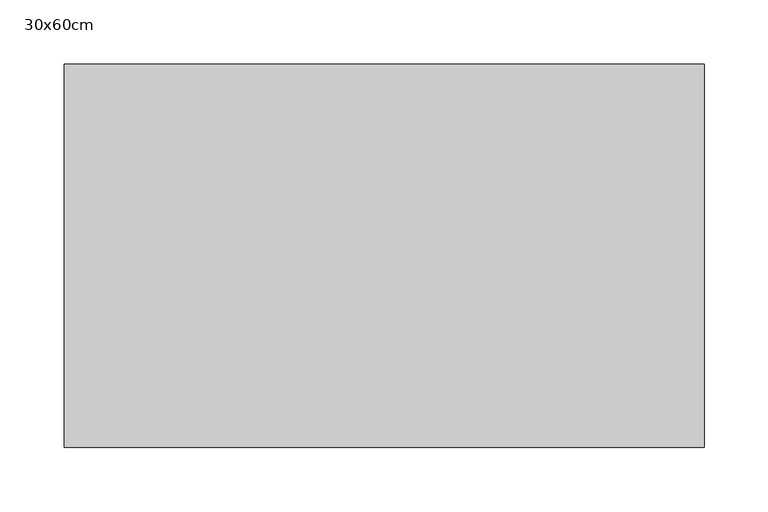
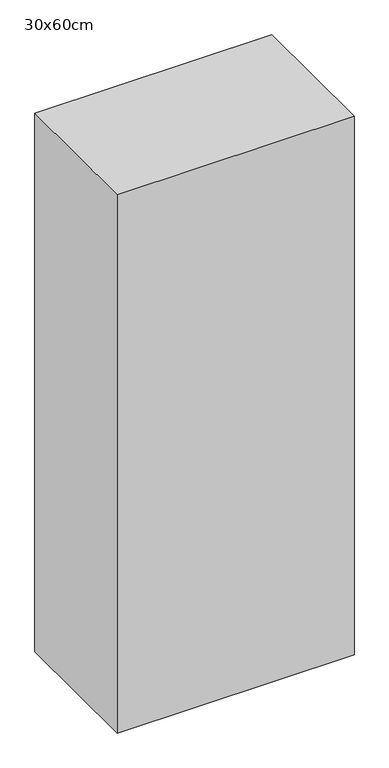
"""IFC4 building model written with IfcOpenShell, lengths in millimetres: proxy geometry, 30x60cm."""

from ifc_helpers import new_model, si_unit, frame, origin, place, context, project, spatial, polyline, outline, extrude, source, transform, mapped, element, save


def proxy_30x60cm_350fc487(model_context):
    return source(origin(), model_context, "Body", "SweptSolid", [
        extrude(outline(polyline([(500.0, 300.0), (500.0, 0.0), (0.0, 0.0), (0.0, 300.0), (500.0, 300.0)])), frame((0.0, 0.0, 1300.0), z_axis=(0.0, 0.0, 1.0), x_axis=(1.0, 0.0, 0.0)), (0.0, 0.0, 1.0), 1200.0),
    ])


if __name__ == "__main__":
    model = new_model("IFC4")
    model_context = context("Model", 3, world=origin())
    ifc_project = project(units=[si_unit("LENGTHUNIT", "METRE", prefix="MILLI")], contexts=[model_context])
    site = spatial("IfcSite", under=ifc_project)
    building = spatial("IfcBuilding", under=site)
    placement = place(None, origin())
    proxy_30x60cm_shape = proxy_30x60cm_350fc487(model_context)
    element("IfcBuildingElementProxy", 1, Name="30x60cm", ObjectType="30x60cm", at=placement, inside=building, context=model_context, shape_type="MappedRepresentation", body=[
        mapped(proxy_30x60cm_shape, transform((0.0, 0.0, 0.0), x_axis=(1.0, 0.0, 0.0), y_axis=(0.0, 1.0, 0.0), z_axis=(0.0, 0.0, 1.0))),
    ])
    save(model, "model.ifc")
